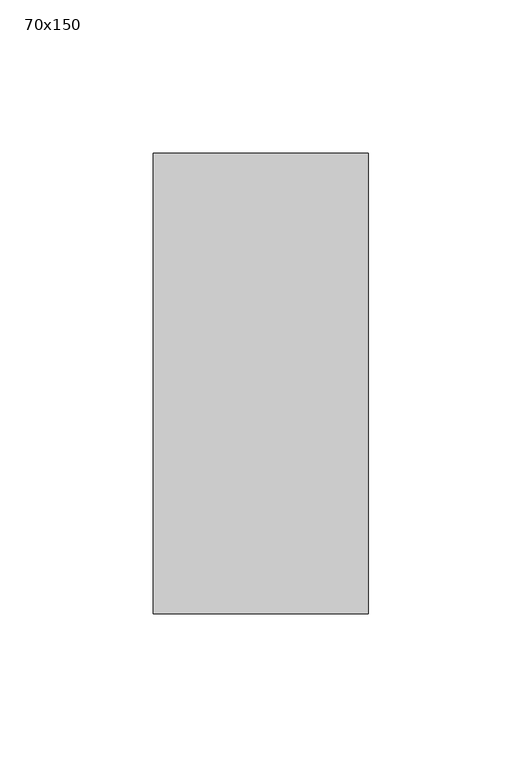
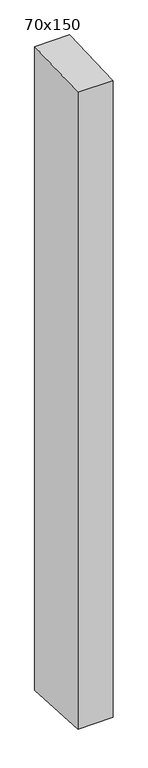
"""IFC4 building model written with IfcOpenShell, lengths in millimetres: member geometry, 70x150."""

from ifc_helpers import new_model, si_unit, frame, origin, place, context, project, spatial, polyline, outline, extrude, source, transform, mapped, element, save


def member_70x150_583fbbe6(model_context):
    return source(origin(), model_context, "Body", "SweptSolid", [
        extrude(outline(polyline([(-75.0, -3.0352512), (75.0, 3.0352512), (75.0, -1355.4782313), (-75.0, -1346.9359507), (-75.0, -3.0352512)])), frame((-70.0, 0.0, 0.0), z_axis=(1.0, 0.0, 0.0), x_axis=(0.0, 1.0, 0.0)), (0.0, 0.0, 1.0), 70.0),
    ])


if __name__ == "__main__":
    model = new_model("IFC4")
    model_context = context("Model", 3, world=origin())
    ifc_project = project(units=[si_unit("LENGTHUNIT", "METRE", prefix="MILLI")], contexts=[model_context])
    site = spatial("IfcSite", under=ifc_project)
    building = spatial("IfcBuilding", under=site)
    placement = place(None, origin())
    member_70x150_shape = member_70x150_583fbbe6(model_context)
    element("IfcMember", 1, ObjectType="70x150", at=placement, inside=building, context=model_context, shape_type="MappedRepresentation", body=[
        mapped(member_70x150_shape, transform((0.0, 0.0, 0.0), x_axis=(1.0, 0.0, 0.0), y_axis=(0.0, 1.0, 0.0), z_axis=(0.0, 0.0, 1.0))),
    ])
    save(model, "model.ifc")
